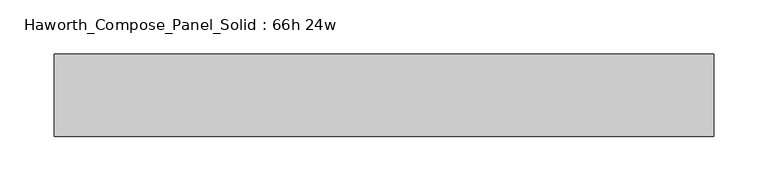
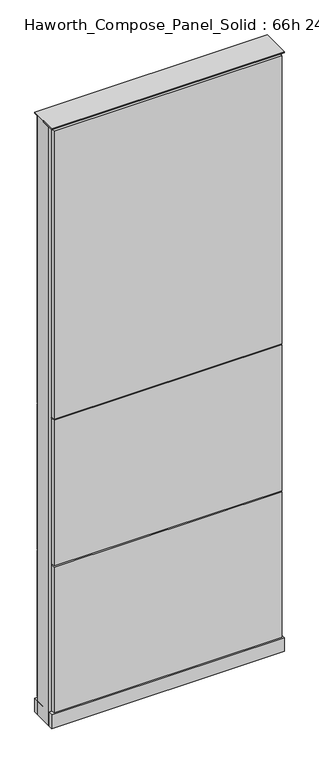
"""IFC4 building model written with IfcOpenShell, lengths in millimetres: furniture geometry, Haworth_Compose_Panel_Solid : 66h 24w."""

from ifc_helpers import new_model, si_unit, point, frame, frame_2d, origin, origin_with_axes, place, context, project, spatial, polyline, circle_curve, trimmed, segment, composite_curve, outline, extrude, source, transform, mapped, element, save


def haworth_compose_panel_solid_66h_24w_5f124312(model_context):
    return source(origin(), model_context, "Body", "SweptSolid", [
        extrude(outline(composite_curve([segment(trimmed(circle_curve(frame_2d((-226.1597098, 0.0)), 12.7), [point((-238.8597098, 0.0))], [point((-213.4597098, 0.0))], False, "CARTESIAN"), True, "CONTINUOUS"), segment(trimmed(circle_curve(frame_2d((-226.1597098, 0.0)), 12.7), [point((-213.4597098, 0.0))], [point((-238.8597098, 0.0))], False, "CARTESIAN"), True, "CONTINUOUS")], self_intersect=False)), origin_with_axes(), (0.0, 0.0, 1.0), 12.7),
        extrude(outline(composite_curve([segment(trimmed(circle_curve(frame_2d((231.0402902, 0.0)), 12.7), [point((218.3402902, 0.0))], [point((243.7402902, 0.0))], False, "CARTESIAN"), True, "CONTINUOUS"), segment(trimmed(circle_curve(frame_2d((231.0402902, 0.0)), 12.7), [point((243.7402902, 0.0))], [point((218.3402902, 0.0))], False, "CARTESIAN"), True, "CONTINUOUS")], self_intersect=False)), origin_with_axes(), (0.0, 0.0, 1.0), 12.7),
        extrude(outline(polyline([(300.8902902, 38.1), (300.8902902, 25.4), (-296.0097098, 25.4), (-296.0097098, 38.1), (300.8902902, 38.1)])), frame((0.0, 0.0, 866.775), z_axis=(0.0, 0.0, 1.0), x_axis=(1.0, 0.0, 0.0)), (0.0, 0.0, 1.0), 796.925),
        extrude(outline(polyline([(300.8902902, 38.1), (300.8902902, 25.4), (-296.0097098, 25.4), (-296.0097098, 38.1), (300.8902902, 38.1)])), frame((0.0, 0.0, 460.375), z_axis=(0.0, 0.0, 1.0), x_axis=(1.0, 0.0, 0.0)), (0.0, 0.0, 1.0), 403.225),
        extrude(outline(polyline([(300.8902902, 38.1), (300.8902902, 25.4), (-296.0097098, 25.4), (-296.0097098, 38.1), (300.8902902, 38.1)])), frame((0.0, 0.0, 53.975), z_axis=(0.0, 0.0, 1.0), x_axis=(1.0, 0.0, 0.0)), (0.0, 0.0, 1.0), 403.225),
        extrude(outline(polyline([(300.8902902, -38.1), (-296.0097098, -38.1), (-296.0097098, -25.4), (300.8902902, -25.4), (300.8902902, -38.1)])), frame((0.0, 0.0, 866.775), z_axis=(0.0, 0.0, 1.0), x_axis=(1.0, 0.0, 0.0)), (0.0, 0.0, 1.0), 796.925),
        extrude(outline(polyline([(300.8902902, -38.1), (-296.0097098, -38.1), (-296.0097098, -25.4), (300.8902902, -25.4), (300.8902902, -38.1)])), frame((0.0, 0.0, 460.375), z_axis=(0.0, 0.0, 1.0), x_axis=(1.0, 0.0, 0.0)), (0.0, 0.0, 1.0), 403.225),
        extrude(outline(polyline([(300.8902902, -38.1), (-296.0097098, -38.1), (-296.0097098, -25.4), (300.8902902, -25.4), (300.8902902, -38.1)])), frame((0.0, 0.0, 53.975), z_axis=(0.0, 0.0, 1.0), x_axis=(1.0, 0.0, 0.0)), (0.0, 0.0, 1.0), 403.225),
        extrude(outline(polyline([(307.2402902, 25.4), (307.2402902, -25.4), (-302.3597098, -25.4), (-302.3597098, 25.4), (307.2402902, 25.4)])), frame((0.0, 0.0, 12.7), z_axis=(0.0, 0.0, 1.0), x_axis=(1.0, 0.0, 0.0)), (0.0, 0.0, 1.0), 1657.35),
        extrude(outline(polyline([(-302.3597098, -38.1), (-302.3597098, 38.1), (307.2402902, 38.1), (307.2402902, -38.1), (-302.3597098, -38.1)])), frame((0.0, 0.0, 12.7), z_axis=(0.0, 0.0, 1.0), x_axis=(1.0, 0.0, 0.0)), (0.0, 0.0, 1.0), 38.1),
        extrude(outline(polyline([(-302.3597098, -38.1), (-302.3597098, 38.1), (307.2402902, 38.1), (307.2402902, -38.1), (-302.3597098, -38.1)])), frame((0.0, 0.0, 1670.05), z_axis=(0.0, 0.0, 1.0), x_axis=(1.0, 0.0, 0.0)), (0.0, 0.0, 1.0), 3.175),
    ])


if __name__ == "__main__":
    model = new_model("IFC4")
    model_context = context("Model", 3, world=origin())
    ifc_project = project(units=[si_unit("LENGTHUNIT", "METRE", prefix="MILLI")], contexts=[model_context])
    site = spatial("IfcSite", under=ifc_project)
    building = spatial("IfcBuilding", under=site)
    placement = place(None, origin())
    haworth_compose_panel_solid_66h_24w_shape = haworth_compose_panel_solid_66h_24w_5f124312(model_context)
    element("IfcFurniture", 1, ObjectType="Haworth_Compose_Panel_Solid : 66h 24w", at=placement, inside=building, context=model_context, shape_type="MappedRepresentation", body=[
        mapped(haworth_compose_panel_solid_66h_24w_shape, transform((0.0, 0.0, 0.0), x_axis=(1.0, 0.0, 0.0), y_axis=(0.0, 1.0, 0.0), z_axis=(0.0, 0.0, 1.0))),
    ])
    save(model, "model.ifc")
